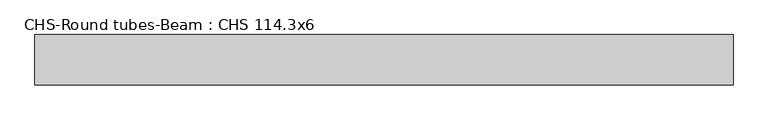
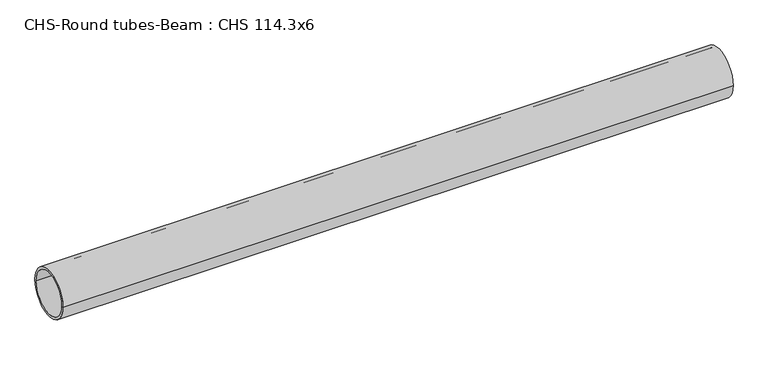
"""IFC4 building model written with IfcOpenShell, lengths in millimetres: beam geometry, CHS-Round tubes-Beam : CHS 114.3x6."""

from ifc_helpers import new_model, si_unit, point, frame, origin, origin_2d, place, context, project, spatial, circle_curve, trimmed, segment, composite_curve, outline, extrude, source, transform, mapped, element, save


def chs_round_tubes_beam_chs_114_3x6_70ff7293(model_context):
    return source(origin(), model_context, "Body", "SweptSolid", [
        extrude(outline(composite_curve([segment(trimmed(circle_curve(origin_2d(), 57.15), [point((57.15, 0.0))], [point((-57.15, 0.0))], False, "CARTESIAN"), True, "CONTINUOUS"), segment(trimmed(circle_curve(origin_2d(), 57.15), [point((-57.15, 0.0))], [point((57.15, 0.0))], False, "CARTESIAN"), True, "CONTINUOUS")], self_intersect=False), holes=[composite_curve([segment(trimmed(circle_curve(origin_2d(), 51.15), [point((51.15, 0.0))], [point((-51.15, 0.0))], True, "CARTESIAN"), True, "CONTINUOUS"), segment(trimmed(circle_curve(origin_2d(), 51.15), [point((-51.15, 0.0))], [point((51.15, 0.0))], True, "CARTESIAN"), True, "CONTINUOUS")], self_intersect=False)]), frame((-784.888483, 0.0, 0.0), z_axis=(1.0, 0.0, 0.0), x_axis=(0.0, 1.0, 0.0)), (0.0, 0.0, 1.0), 1581.9263456),
    ])


if __name__ == "__main__":
    model = new_model("IFC4")
    model_context = context("Model", 3, world=origin())
    ifc_project = project(units=[si_unit("LENGTHUNIT", "METRE", prefix="MILLI")], contexts=[model_context])
    site = spatial("IfcSite", under=ifc_project)
    building = spatial("IfcBuilding", under=site)
    placement = place(None, origin())
    chs_round_tubes_beam_chs_114_3x6_shape = chs_round_tubes_beam_chs_114_3x6_70ff7293(model_context)
    element("IfcBeam", 1, ObjectType="CHS-Round tubes-Beam : CHS 114.3x6", at=placement, inside=building, context=model_context, shape_type="MappedRepresentation", body=[
        mapped(chs_round_tubes_beam_chs_114_3x6_shape, transform((0.0, 0.0, 0.0), x_axis=(1.0, 0.0, 0.0), y_axis=(0.0, 1.0, 0.0), z_axis=(0.0, 0.0, 1.0))),
    ])
    save(model, "model.ifc")
